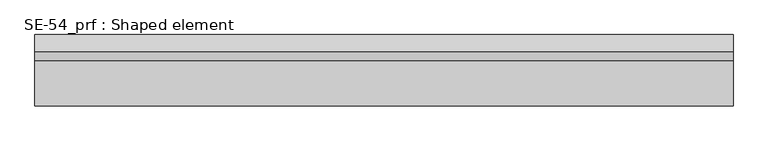
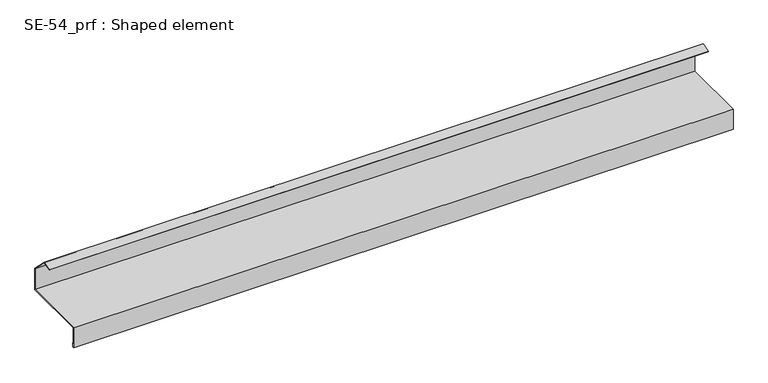
"""IFC4 building model written with IfcOpenShell, lengths in millimetres: proxy geometry, SE-54_prf : Shaped element."""

from ifc_helpers import new_model, si_unit, origin, place, context, project, spatial, faceted_brep, source, transform, mapped, element, save


def se_54_prf_shaped_element_6ede98bd(model_context):
    return source(origin(), model_context, "Body", "Brep", [
        faceted_brep([(0.0, -154.0, 0.0), (0.0, -155.0, 0.0), (0.0, -155.0, 3.0), (0.0, -3.0, 3.0), (0.0, -3.0, 53.0), (0.0, -38.3553391, 88.3553391), (0.0, -57.6738556, 83.1789582), (0.0, -57.9326746, 84.144884), (0.0, -38.0564806, 89.4706941), (0.0, -2.0, 53.4142136), (0.0, -2.0, 2.0), (0.0, -154.0, 2.0), (0.0, -154.0, -44.0), (0.0, -153.0, -44.0), (0.0, -153.0, -35.0), (0.0, -152.0, -35.0), (0.0, -152.0, -45.0), (0.0, -155.0, -45.0), (1500.0, -155.0, 0.0), (1500.0, -154.0, 0.0), (1500.0, -154.0, 2.0), (1500.0, -2.0, 2.0), (1500.0, -2.0, 53.4142136), (1500.0, -38.0564806, 89.4706941), (1500.0, -57.9326746, 84.144884), (1500.0, -57.6738556, 83.1789582), (1500.0, -38.3553391, 88.3553391), (1500.0, -3.0, 53.0), (1500.0, -3.0, 3.0), (1500.0, -155.0, 3.0), (1500.0, -155.0, -45.0), (1500.0, -152.0, -45.0), (1500.0, -152.0, -35.0), (1500.0, -153.0, -35.0), (1500.0, -153.0, -44.0), (1500.0, -154.0, -44.0)], [[[0, 1, 2, 3, 4, 5, 6, 7, 8, 9, 10, 11]], [[1, 0, 12, 13, 14, 15, 16, 17]], [[18, 19, 20, 21, 22, 23, 24, 25, 26, 27, 28, 29]], [[19, 18, 30, 31, 32, 33, 34, 35]], [[17, 16, 31, 30]], [[16, 15, 32, 31]], [[15, 14, 33, 32]], [[14, 13, 34, 33]], [[13, 12, 35, 34]], [[0, 11, 20, 19, 35, 12]], [[11, 10, 21, 20]], [[10, 9, 22, 21]], [[9, 8, 23, 22]], [[8, 7, 24, 23]], [[7, 6, 25, 24]], [[6, 5, 26, 25]], [[5, 4, 27, 26]], [[4, 3, 28, 27]], [[3, 2, 29, 28]], [[2, 1, 17, 30, 18, 29]]]),
    ])


if __name__ == "__main__":
    model = new_model("IFC4")
    model_context = context("Model", 3, world=origin())
    ifc_project = project(units=[si_unit("LENGTHUNIT", "METRE", prefix="MILLI")], contexts=[model_context])
    site = spatial("IfcSite", under=ifc_project)
    building = spatial("IfcBuilding", under=site)
    placement = place(None, origin())
    se_54_prf_shaped_element_shape = se_54_prf_shaped_element_6ede98bd(model_context)
    element("IfcBuildingElementProxy", 1, Name="SE-54_prf : Shaped element", ObjectType="SE-54_prf : Shaped element", at=placement, inside=building, context=model_context, shape_type="MappedRepresentation", body=[
        mapped(se_54_prf_shaped_element_shape, transform((0.0, 0.0, 0.0), x_axis=(1.0, 0.0, 0.0), y_axis=(0.0, 1.0, 0.0), z_axis=(0.0, 0.0, 1.0))),
    ])
    save(model, "model.ifc")
